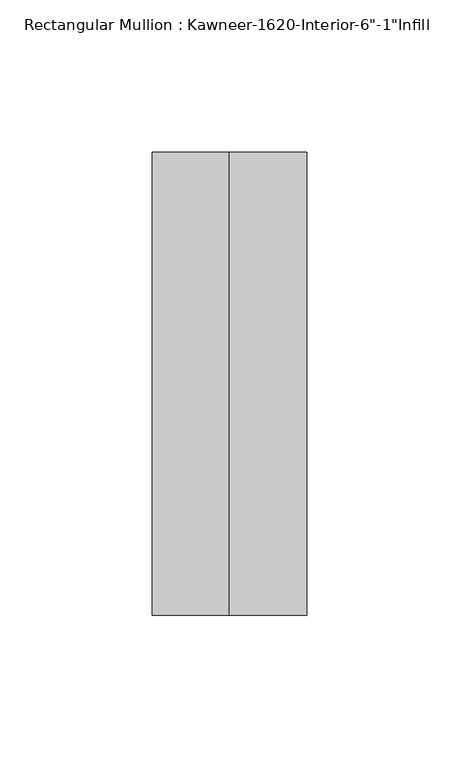
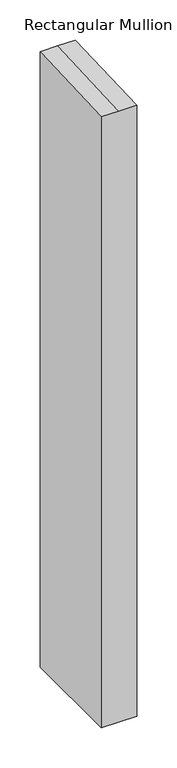
"""IFC4 building model written with IfcOpenShell, lengths in millimetres: member geometry."""

from ifc_helpers import new_model, si_unit, origin, place, context, project, spatial, faceted_brep, source, transform, mapped, element, save


def member_4971f18f(model_context):
    return source(origin(), model_context, "Body", "Brep", [
        faceted_brep([(25.4, -114.3, -935.1588415), (-25.4, -114.3, -935.1588415), (-25.4, 38.1, -935.1588415), (25.4, 38.1, -935.1588415), (25.4, 38.1, 1.2476114), (25.4, -114.3, -5.4063163), (-25.4, 38.1, 1.2476114), (0.0, 38.1, 1.2476114), (-25.4, -114.3, -5.4063163), (0.0, -114.3, -5.4063163)], [[[0, 1, 2, 3]], [[4, 5, 0, 3]], [[6, 7, 4, 3, 2]], [[8, 6, 2, 1]], [[5, 9, 8, 1, 0]], [[5, 4, 7, 9]], [[7, 6, 8, 9]]]),
    ])


if __name__ == "__main__":
    model = new_model("IFC4")
    model_context = context("Model", 3, world=origin())
    ifc_project = project(units=[si_unit("LENGTHUNIT", "METRE", prefix="MILLI")], contexts=[model_context])
    site = spatial("IfcSite", under=ifc_project)
    building = spatial("IfcBuilding", under=site)
    placement = place(None, origin())
    member_shape = member_4971f18f(model_context)
    element("IfcMember", 1, ObjectType="Rectangular Mullion : Kawneer-1620-Interior-6\"-1\"Infill", at=placement, inside=building, context=model_context, shape_type="MappedRepresentation", body=[
        mapped(member_shape, transform((0.0, 0.0, 0.0), x_axis=(1.0, 0.0, 0.0), y_axis=(0.0, 1.0, 0.0), z_axis=(0.0, 0.0, 1.0))),
    ])
    save(model, "model.ifc")
